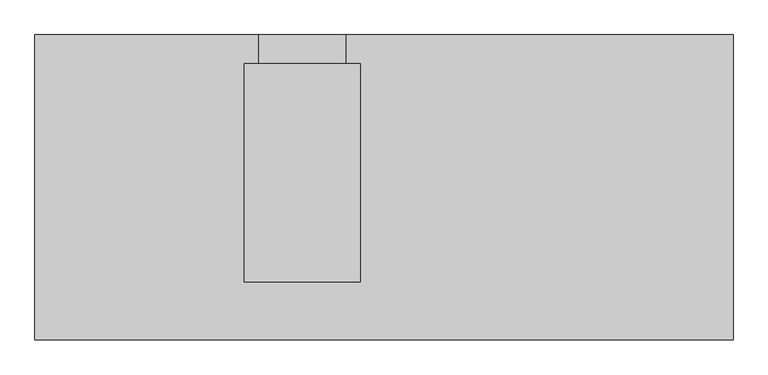
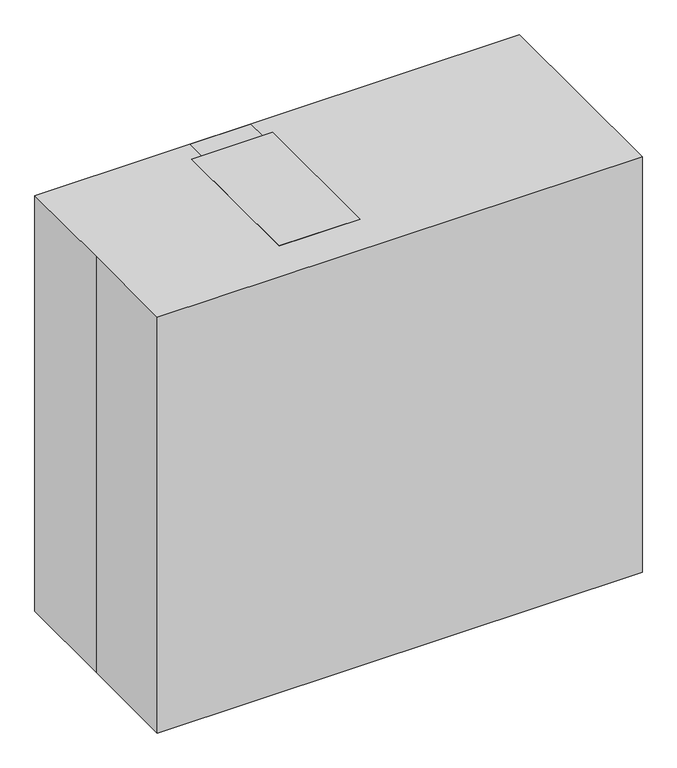
"""IFC4 building model written with IfcOpenShell, lengths in millimetres: proxy geometry."""

from ifc_helpers import new_model, si_unit, frame, origin, origin_with_axes, place, context, project, spatial, polyline, outline, extrude, source, transform, mapped, element, save


def specialty_equipment_8d526287(model_context):
    return source(origin(), model_context, "Body", "SweptSolid", [
        extrude(outline(polyline([(-133.35, 47.8666261), (-133.35, -155.3333739), (-438.15, -155.3333739), (-438.15, 47.8666261), (-133.35, 47.8666261)])), frame((0.0, 0.0, 1954.2206832), z_axis=(0.0, 0.0, 1.0), x_axis=(1.0, 0.0, 0.0)), (0.0, 0.0, 1.0), 101.6),
        extrude(outline(polyline([(-330.2, 2209.8), (431.8, 2209.8), (431.8, 1949.5049778), (139.7, 2055.8206832), (-241.3, 2055.8206832), (-330.2, 2209.8)])), frame((-488.95, 0.0, 0.0), z_axis=(1.0, 0.0, 0.0), x_axis=(0.0, 1.0, 0.0)), (0.0, 0.0, 1.0), 406.4),
        extrude(outline(polyline([(533.4, 0.0), (203.2, 0.0), (203.2, 685.8), (431.8, 685.8), (431.8, 2209.8), (533.4, 2209.8), (533.4, 0.0)])), frame((-438.15, 0.0, 0.0), z_axis=(1.0, 0.0, 0.0), x_axis=(0.0, 1.0, 0.0)), (0.0, 0.0, 1.0), 304.8),
        extrude(outline(polyline([(515.358366, 203.2), (515.358366, -381.0), (-1087.5213737, -381.0), (-1087.5213737, 203.2), (515.358366, 203.2)])), origin_with_axes(), (0.0, 0.0, 1.0), 858.5398438),
        extrude(outline(polyline([(565.15, 285.75), (565.15, -450.85), (-1136.65, -450.85), (-1136.65, 285.75), (565.15, 285.75)])), frame((0.0, 0.0, 858.5398438), z_axis=(0.0, 0.0, 1.0), x_axis=(1.0, 0.0, 0.0)), (0.0, 0.0, 1.0), 25.4),
        extrude(outline(polyline([(-1219.2, 533.4), (1219.2, 533.4), (1219.2, -533.4), (-1219.2, -533.4), (-1219.2, 0.0), (-1219.2, 533.4)])), origin_with_axes(), (0.0, 0.0, 1.0), 2209.8),
    ])


if __name__ == "__main__":
    model = new_model("IFC4")
    model_context = context("Model", 3, world=origin())
    ifc_project = project(units=[si_unit("LENGTHUNIT", "METRE", prefix="MILLI")], contexts=[model_context])
    site = spatial("IfcSite", under=ifc_project)
    building = spatial("IfcBuilding", under=site)
    placement = place(None, origin())
    specialty_equipment_shape = specialty_equipment_8d526287(model_context)
    element("IfcBuildingElementProxy", 1, Name="Specialty Equipment", at=placement, inside=building, context=model_context, shape_type="MappedRepresentation", body=[
        mapped(specialty_equipment_shape, transform((0.0, 0.0, 0.0), x_axis=(1.0, 0.0, 0.0), y_axis=(0.0, 1.0, 0.0), z_axis=(0.0, 0.0, 1.0))),
    ])
    save(model, "model.ifc")
